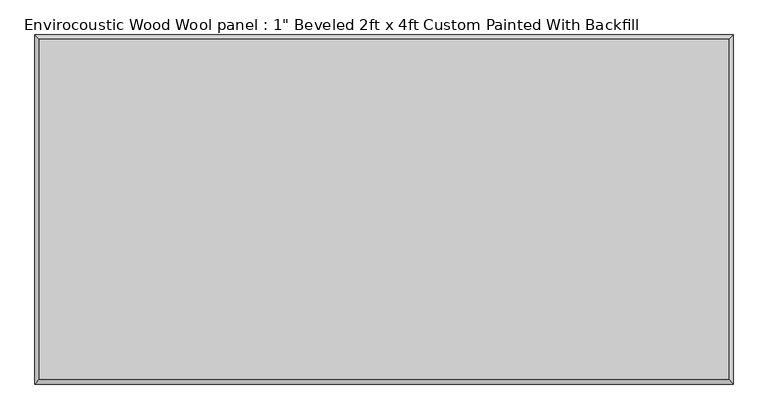
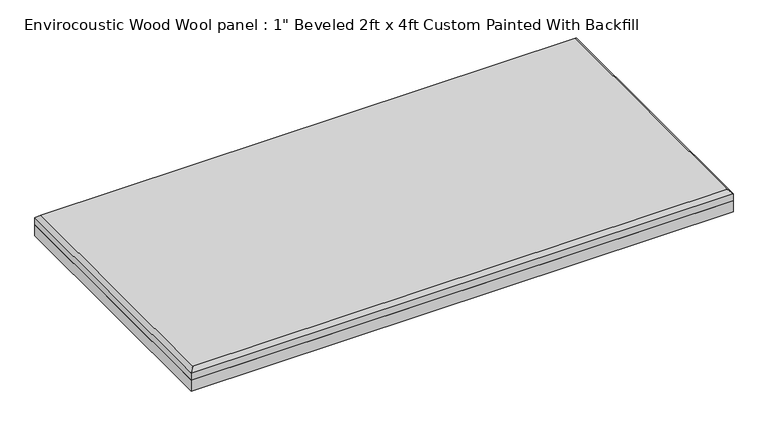
"""IFC4 building model written with IfcOpenShell, lengths in millimetres: proxy geometry."""

from ifc_helpers import new_model, si_unit, origin, origin_with_axes, place, context, project, spatial, polyline, outline, extrude, faceted_brep, source, transform, mapped, element, save


def proxy_dad9e027(model_context):
    return source(origin(), model_context, "Body", "SolidModel", [
        extrude(outline(polyline([(609.6, 304.8), (609.6, -304.8), (-609.6, -304.8), (-609.6, 304.8), (609.6, 304.8)])), origin_with_axes(), (0.0, 0.0, 1.0), 25.4),
        faceted_brep([(601.599, 296.799, 50.8), (-601.599, 296.799, 50.8), (-601.599, -296.799, 50.8), (601.599, -296.799, 50.8), (-609.6, 304.8, 25.4), (609.6, 304.8, 25.4), (609.6, -304.8, 25.4), (-609.6, -304.8, 25.4), (-609.6, -304.8, 42.799), (-609.6, 304.8, 42.799), (609.6, -304.8, 42.799), (609.6, 304.8, 42.799)], [[[0, 1, 2, 3]], [[4, 5, 6, 7]], [[4, 7, 8, 9]], [[7, 6, 10, 8]], [[6, 5, 11, 10]], [[5, 4, 9, 11]], [[9, 1, 0, 11]], [[1, 9, 8, 2]], [[2, 8, 10, 3]], [[11, 0, 3, 10]]]),
    ])


if __name__ == "__main__":
    model = new_model("IFC4")
    model_context = context("Model", 3, world=origin())
    ifc_project = project(units=[si_unit("LENGTHUNIT", "METRE", prefix="MILLI")], contexts=[model_context])
    site = spatial("IfcSite", under=ifc_project)
    building = spatial("IfcBuilding", under=site)
    placement = place(None, origin())
    proxy_shape = proxy_dad9e027(model_context)
    element("IfcBuildingElementProxy", 1, Name="Envirocoustic Wood Wool panel : 1\" Beveled 2ft x 4ft Custom Painted With Backfill", ObjectType="Envirocoustic Wood Wool panel : 1\" Beveled 2ft x 4ft Custom Painted With Backfill", at=placement, inside=building, context=model_context, shape_type="MappedRepresentation", body=[
        mapped(proxy_shape, transform((0.0, 0.0, 0.0), x_axis=(1.0, 0.0, 0.0), y_axis=(0.0, 1.0, 0.0), z_axis=(0.0, 0.0, 1.0))),
    ])
    save(model, "model.ifc")
